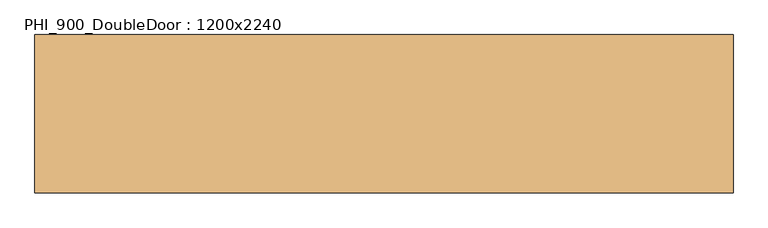
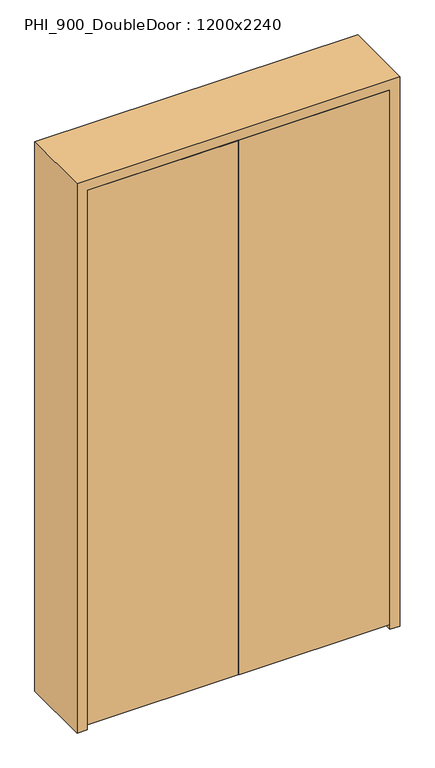
"""IFC4 building model written with IfcOpenShell, lengths in millimetres: door geometry, PHI_900_DoubleDoor : 1200x2240."""

from ifc_helpers import new_model, si_unit, frame, origin, place, context, project, spatial, polyline, outline, extrude, source, transform, mapped, element, save


def phi_900_doubledoor_1200x2240_def9708c(model_context):
    return source(origin(), model_context, "Body", "SweptSolid", [
        extrude(outline(polyline([(2.0, -145.0), (2.0, -95.0), (598.0, -95.0), (598.0, -145.0), (2.0, -145.0)])), frame((0.0, 0.0, 20.0), z_axis=(0.0, 0.0, 1.0), x_axis=(1.0, 0.0, 0.0)), (0.0, 0.0, 1.0), 2238.0),
        extrude(outline(polyline([(-2.0, -145.0), (-598.0, -145.0), (-598.0, -95.0), (-2.0, -95.0), (-2.0, -145.0)])), frame((0.0, 0.0, 20.0), z_axis=(0.0, 0.0, 1.0), x_axis=(1.0, 0.0, 0.0)), (0.0, 0.0, 1.0), 2238.0),
        extrude(outline(polyline([(2300.0, -640.0), (0.0, -640.0), (0.0, -600.0), (2260.0, -600.0), (2260.0, 600.0), (0.0, 600.0), (0.0, 640.0), (2300.0, 640.0), (2300.0, -640.0)])), frame((0.0, -145.0, 0.0), z_axis=(0.0, 1.0, 0.0), x_axis=(0.0, 0.0, 1.0)), (0.0, 0.0, 1.0), 290.0),
        extrude(outline(polyline([(2260.0, -600.0), (0.0, -600.0), (0.0, -580.0), (2240.0, -580.0), (2240.0, 580.0), (0.0, 580.0), (0.0, 600.0), (2260.0, 600.0), (2260.0, -600.0)])), frame((0.0, -95.0, 0.0), z_axis=(0.0, 1.0, 0.0), x_axis=(0.0, 0.0, 1.0)), (0.0, 0.0, 1.0), 95.0),
    ])


if __name__ == "__main__":
    model = new_model("IFC4")
    model_context = context("Model", 3, world=origin())
    ifc_project = project(units=[si_unit("LENGTHUNIT", "METRE", prefix="MILLI")], contexts=[model_context])
    site = spatial("IfcSite", under=ifc_project)
    building = spatial("IfcBuilding", under=site)
    placement = place(None, origin())
    phi_900_doubledoor_1200x2240_shape = phi_900_doubledoor_1200x2240_def9708c(model_context)
    element("IfcDoor", 1, ObjectType="PHI_900_DoubleDoor : 1200x2240", at=placement, inside=building, context=model_context, shape_type="MappedRepresentation", body=[
        mapped(phi_900_doubledoor_1200x2240_shape, transform((0.0, 0.0, 0.0), x_axis=(1.0, 0.0, 0.0), y_axis=(0.0, 1.0, 0.0), z_axis=(0.0, 0.0, 1.0))),
    ])
    save(model, "model.ifc")
